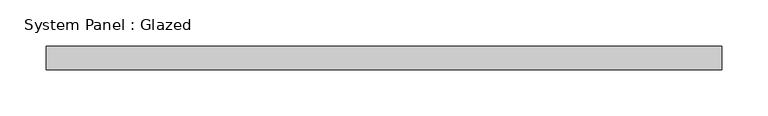
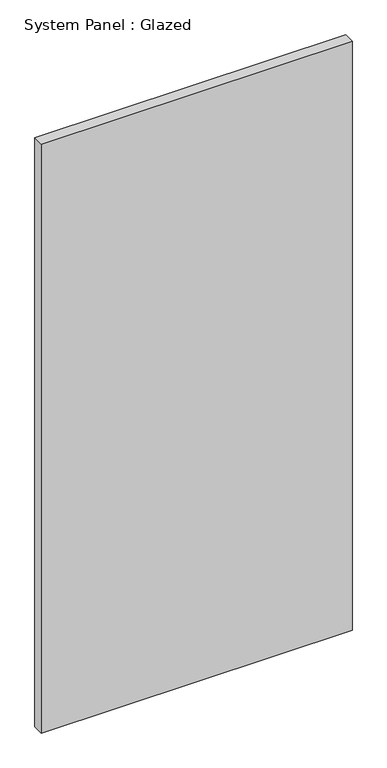
"""IFC4 building model written with IfcOpenShell, lengths in millimetres: plate geometry, System Panel : Glazed."""

import ifcopenshell
import ifcopenshell.guid

model = None  # the IFC model being written
_history = None  # IfcOwnerHistory: only IFC2X3 demands one
_inside = {}  # id of a spatial element -> (the spatial element, [elements in it])
_under = {}  # id of a project, library or spatial element -> (it, [spatial elements below it])
_declared = {}  # id of a project -> (the project, [libraries it declares])
_typed = {}  # id of a type object -> (the type object, [elements of that type])
_made_of = {}  # id of a material, layer set ... -> (it, [elements and type objects made of it])


def new_model(schema):
    """Start an empty IFC model of exactly this schema.

    Asked for "IFC4X3", IfcOpenShell would pick the latest addendum, in which some entities
    have other attributes; the version numbers below select the first issue.
    IFC2X3 requires an IfcOwnerHistory on every rooted entity: one is made here for all.
    """
    global model, _history
    if schema == "IFC4X3":
        model = ifcopenshell.file(schema_version=(4, 3, 0, 0))
    else:
        model = ifcopenshell.file(schema=schema)
    _inside.clear()
    _under.clear()
    _declared.clear()
    _typed.clear()
    _made_of.clear()
    _history = None
    if model.schema == "IFC2X3":
        org = make("IfcOrganization", Name="unknown")
        user = make(
            "IfcPersonAndOrganization",
            ThePerson=make("IfcPerson", FamilyName="unknown"),
            TheOrganization=org,
        )
        app = make(
            "IfcApplication",
            ApplicationDeveloper=org,
            Version="unknown",
            ApplicationFullName="unknown",
            ApplicationIdentifier="unknown",
        )
        _history = make(
            "IfcOwnerHistory",
            OwningUser=user,
            OwningApplication=app,
            ChangeAction="ADDED",
            CreationDate=0,
        )
    return model


def make(cls, **values):
    """One entity of the class cls with the attributes given. An attribute that is None is left unset."""
    return model.create_entity(
        cls, **{name: value for name, value in values.items() if value is not None}
    )


def rooted(cls, **values):
    """An entity with a GlobalId (a new one), such as an element, a storey or a relation."""
    return make(cls, GlobalId=ifcopenshell.guid.new(), OwnerHistory=_history, **values)


def si_unit(unit_type, name, prefix=None):
    """IfcSIUnit, for example si_unit("LENGTHUNIT", "METRE", prefix="MILLI")."""
    return make("IfcSIUnit", UnitType=unit_type, Prefix=prefix, Name=name)


def assignment(units):
    """IfcUnitAssignment: the units of a project."""
    return None if units is None else make("IfcUnitAssignment", Units=units)


def point(xyz):
    """IfcCartesianPoint."""
    return None if xyz is None else make("IfcCartesianPoint", Coordinates=xyz)


def direction(xyz):
    """IfcDirection."""
    return None if xyz is None else make("IfcDirection", DirectionRatios=xyz)


def frame(location, z_axis=None, x_axis=None):
    """IfcAxis2Placement3D, a coordinate frame: its origin and axes. An axis left out is left unset."""
    return make(
        "IfcAxis2Placement3D",
        Location=point(location),
        Axis=direction(z_axis),
        RefDirection=direction(x_axis),
    )


def origin():
    """The frame at (0, 0, 0) with its axes left unset."""
    return frame((0.0, 0.0, 0.0))


def origin_with_axes():
    """The frame at (0, 0, 0) with the z axis (0, 0, 1) and the x axis (1, 0, 0) written out."""
    return frame((0.0, 0.0, 0.0), z_axis=(0.0, 0.0, 1.0), x_axis=(1.0, 0.0, 0.0))


def place(relative_to, where):
    """IfcLocalPlacement: puts the frame where relative to a parent placement (None: the world)."""
    return make(
        "IfcLocalPlacement", PlacementRelTo=relative_to, RelativePlacement=where
    )


def context(
    kind, dimensions, precision=None, world=None, true_north=None, identifier=None
):
    """IfcGeometricRepresentationContext, for example the 3D "Model" context."""
    return make(
        "IfcGeometricRepresentationContext",
        ContextIdentifier=identifier,
        ContextType=kind,
        CoordinateSpaceDimension=dimensions,
        Precision=precision,
        WorldCoordinateSystem=world,
        TrueNorth=true_north,
    )


def project(units=None, contexts=None):
    """IfcProject with its units and contexts."""
    return rooted(
        "IfcProject",
        Name="project",
        RepresentationContexts=contexts,
        UnitsInContext=assignment(units),
    )


def spatial(cls, under=None, at=None, **own):
    """A site, building, storey or space (cls), placed at a placement, below another one or the project."""
    s = rooted(cls, ObjectPlacement=at, **own)
    if under is not None:
        _under.setdefault(under.id(), (under, []))[1].append(s)
    return s


def polyline(points):
    """IfcPolyline through the points."""
    return make("IfcPolyline", Points=[point(p) for p in points])


def outline(outer, holes=None, kind="AREA"):
    """IfcArbitraryClosedProfileDef: a profile drawn as a closed curve; with holes, ...WithVoids."""
    if holes is None:
        return make("IfcArbitraryClosedProfileDef", ProfileType=kind, OuterCurve=outer)
    return make(
        "IfcArbitraryProfileDefWithVoids",
        ProfileType=kind,
        OuterCurve=outer,
        InnerCurves=holes,
    )


def extrude(swept, where, along, depth):
    """IfcExtrudedAreaSolid: the profile swept, set in the frame where, extruded along a direction by depth."""
    return make(
        "IfcExtrudedAreaSolid",
        SweptArea=swept,
        Position=where,
        ExtrudedDirection=direction(along),
        Depth=depth,
    )


def shape(context_of_items, identifier, shape_type, items):
    """IfcShapeRepresentation: the items that make up one representation, for example the "Body"."""
    return make(
        "IfcShapeRepresentation",
        ContextOfItems=context_of_items,
        RepresentationIdentifier=identifier,
        RepresentationType=shape_type,
        Items=items,
    )


def source(mapping_origin, context_of_items, identifier, shape_type, items):
    """IfcRepresentationMap: a shape defined once, which mapped items show again and again."""
    return make(
        "IfcRepresentationMap",
        MappingOrigin=mapping_origin,
        MappedRepresentation=shape(context_of_items, identifier, shape_type, items),
    )


def transform(
    local_origin,
    x_axis=None,
    y_axis=None,
    z_axis=None,
    scale=None,
    scale2=None,
    scale3=None,
    uniform=True,
):
    """IfcCartesianTransformationOperator3D, or its non-uniform kind. x_axis, y_axis, z_axis: its Axis1, 2, 3."""
    if uniform:
        return make(
            "IfcCartesianTransformationOperator3D",
            Axis1=direction(x_axis),
            Axis2=direction(y_axis),
            LocalOrigin=point(local_origin),
            Scale=scale,
            Axis3=direction(z_axis),
        )
    return make(
        "IfcCartesianTransformationOperator3DnonUniform",
        Axis1=direction(x_axis),
        Axis2=direction(y_axis),
        LocalOrigin=point(local_origin),
        Scale=scale,
        Axis3=direction(z_axis),
        Scale2=scale2,
        Scale3=scale3,
    )


def mapped(mapping_source, mapping_target):
    """IfcMappedItem: shows the shape of a source again, moved by a transform."""
    return make(
        "IfcMappedItem", MappingSource=mapping_source, MappingTarget=mapping_target
    )


def made_of(thing, what):
    """Note that an element or type object is made of a material, layer set ...; save() writes the relation."""
    if what is not None:
        _made_of.setdefault(what.id(), (what, []))[1].append(thing)
    return thing


def element(
    cls,
    number,
    at=None,
    inside=None,
    cuts=None,
    type_object=None,
    material=None,
    context=None,
    identifier="Body",
    shape_type=None,
    held_by="IfcProductDefinitionShape",
    body=None,
    shapes=None,
    **own,
):
    """One element of the class cls, such as IfcWall. Its Tag is "e" and its number.

    at: its placement. inside: the storey or other place that contains it. cuts: it is an
    opening in that element (IfcRelVoidsElement). A single representation is given by context,
    identifier, shape_type and body (its items); several are given by shapes. held_by: the class
    of the entity that holds the representations. save() writes the other relations.
    """
    e = rooted(cls, Tag="e%d" % number, ObjectPlacement=at, **own)
    if body is not None:
        shapes = [shape(context, identifier, shape_type, body)]
    if shapes is not None:
        e.Representation = make(held_by, Representations=shapes)
    if inside is not None:
        _inside.setdefault(inside.id(), (inside, []))[1].append(e)
    if cuts is not None:
        rooted(
            "IfcRelVoidsElement", RelatingBuildingElement=cuts, RelatedOpeningElement=e
        )
    if type_object is not None:
        _typed.setdefault(type_object.id(), (type_object, []))[1].append(e)
    return made_of(e, material)


def aggregate(whole, parts):
    """IfcRelAggregates: a whole, such as a stair, and the parts it consists of."""
    return rooted("IfcRelAggregates", RelatingObject=whole, RelatedObjects=parts)


def save(model, path):
    """Write the relations noted so far, then the file.

    IfcRelAggregates (storeys below a building ...), IfcRelContainedInSpatialStructure (elements
    in a storey), IfcRelDefinesByType, IfcRelAssociatesMaterial and IfcRelDeclares: one each for
    every whole, place, type object, material and project.
    """
    for whole, parts in _under.values():
        aggregate(whole, parts)
    for where, things in _inside.values():
        rooted(
            "IfcRelContainedInSpatialStructure",
            RelatedElements=things,
            RelatingStructure=where,
        )
    for kind, things in _typed.values():
        rooted("IfcRelDefinesByType", RelatedObjects=things, RelatingType=kind)
    for what, things in _made_of.values():
        rooted("IfcRelAssociatesMaterial", RelatedObjects=things, RelatingMaterial=what)
    for by, libraries in _declared.values():
        rooted("IfcRelDeclares", RelatingContext=by, RelatedDefinitions=libraries)
    model.write(path)


def system_panel_glazed_8c76aff6(model_context):
    return source(origin(), model_context, "Body", "SweptSolid", [
        extrude(outline(polyline([(366.1833333, 19.05), (-366.1833333, 19.05), (-366.1833333, 44.45), (366.1833333, 44.45), (366.1833333, 19.05)])), origin_with_axes(), (0.0, 0.0, 1.0), 1466.85),
    ])


if __name__ == "__main__":
    model = new_model("IFC4")
    model_context = context("Model", 3, world=origin())
    ifc_project = project(units=[si_unit("LENGTHUNIT", "METRE", prefix="MILLI")], contexts=[model_context])
    site = spatial("IfcSite", under=ifc_project)
    building = spatial("IfcBuilding", under=site)
    placement = place(None, origin())
    system_panel_glazed_shape = system_panel_glazed_8c76aff6(model_context)
    element("IfcPlate", 1, ObjectType="System Panel : Glazed", at=placement, inside=building, context=model_context, shape_type="MappedRepresentation", body=[
        mapped(system_panel_glazed_shape, transform((0.0, 0.0, 0.0), x_axis=(1.0, 0.0, 0.0), y_axis=(0.0, 1.0, 0.0), z_axis=(0.0, 0.0, 1.0))),
    ])
    save(model, "model.ifc")
